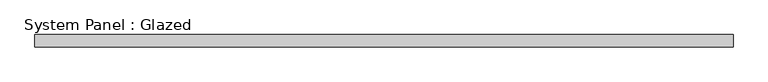
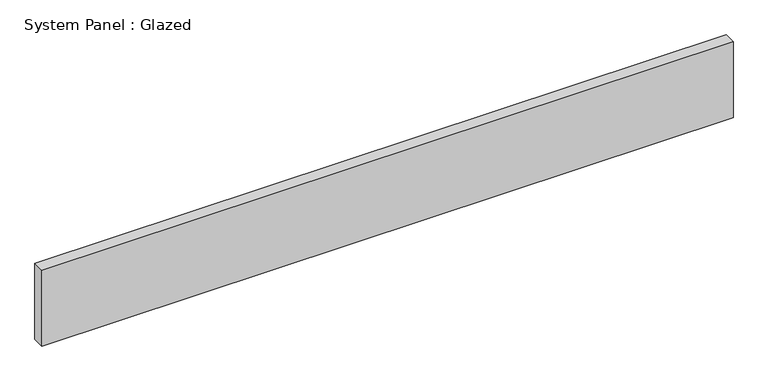
"""IFC4 building model written with IfcOpenShell, lengths in millimetres: plate geometry, System Panel : Glazed."""

from ifc_helpers import new_model, si_unit, origin, origin_with_axes, place, context, project, spatial, polyline, outline, extrude, source, transform, mapped, element, save


def system_panel_glazed_08e8e96b(model_context):
    return source(origin(), model_context, "Body", "SweptSolid", [
        extrude(outline(polyline([(718.25, 19.05), (-718.25, 19.05), (-718.25, 44.45), (718.25, 44.45), (718.25, 19.05)])), origin_with_axes(), (0.0, 0.0, 1.0), 166.5),
    ])


if __name__ == "__main__":
    model = new_model("IFC4")
    model_context = context("Model", 3, world=origin())
    ifc_project = project(units=[si_unit("LENGTHUNIT", "METRE", prefix="MILLI")], contexts=[model_context])
    site = spatial("IfcSite", under=ifc_project)
    building = spatial("IfcBuilding", under=site)
    placement = place(None, origin())
    system_panel_glazed_shape = system_panel_glazed_08e8e96b(model_context)
    element("IfcPlate", 1, ObjectType="System Panel : Glazed", at=placement, inside=building, context=model_context, shape_type="MappedRepresentation", body=[
        mapped(system_panel_glazed_shape, transform((0.0, 0.0, 0.0), x_axis=(1.0, 0.0, 0.0), y_axis=(0.0, 1.0, 0.0), z_axis=(0.0, 0.0, 1.0))),
    ])
    save(model, "model.ifc")
